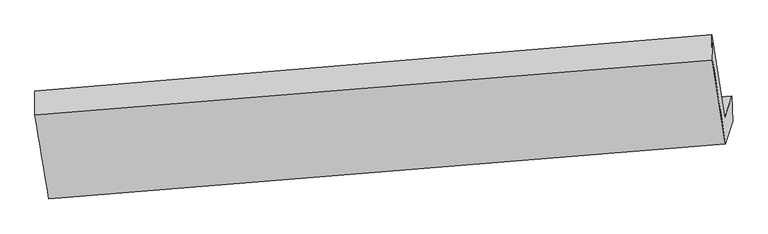
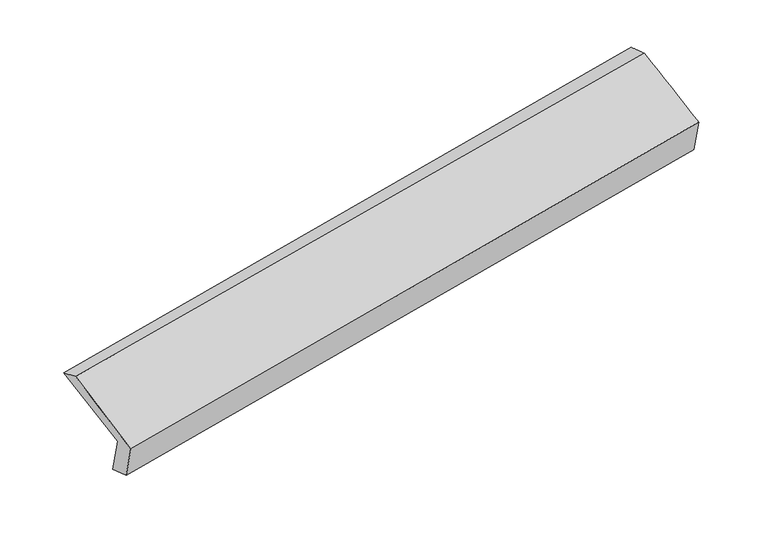
"""IFC4 building model written with IfcOpenShell, lengths in millimetres: proxy geometry."""

import ifcopenshell
import ifcopenshell.guid

model = None  # the IFC model being written
_history = None  # IfcOwnerHistory: only IFC2X3 demands one
_inside = {}  # id of a spatial element -> (the spatial element, [elements in it])
_under = {}  # id of a project, library or spatial element -> (it, [spatial elements below it])
_declared = {}  # id of a project -> (the project, [libraries it declares])
_typed = {}  # id of a type object -> (the type object, [elements of that type])
_made_of = {}  # id of a material, layer set ... -> (it, [elements and type objects made of it])


def new_model(schema):
    """Start an empty IFC model of exactly this schema.

    Asked for "IFC4X3", IfcOpenShell would pick the latest addendum, in which some entities
    have other attributes; the version numbers below select the first issue.
    IFC2X3 requires an IfcOwnerHistory on every rooted entity: one is made here for all.
    """
    global model, _history
    if schema == "IFC4X3":
        model = ifcopenshell.file(schema_version=(4, 3, 0, 0))
    else:
        model = ifcopenshell.file(schema=schema)
    _inside.clear()
    _under.clear()
    _declared.clear()
    _typed.clear()
    _made_of.clear()
    _history = None
    if model.schema == "IFC2X3":
        org = make("IfcOrganization", Name="unknown")
        user = make(
            "IfcPersonAndOrganization",
            ThePerson=make("IfcPerson", FamilyName="unknown"),
            TheOrganization=org,
        )
        app = make(
            "IfcApplication",
            ApplicationDeveloper=org,
            Version="unknown",
            ApplicationFullName="unknown",
            ApplicationIdentifier="unknown",
        )
        _history = make(
            "IfcOwnerHistory",
            OwningUser=user,
            OwningApplication=app,
            ChangeAction="ADDED",
            CreationDate=0,
        )
    return model


def make(cls, **values):
    """One entity of the class cls with the attributes given. An attribute that is None is left unset."""
    return model.create_entity(
        cls, **{name: value for name, value in values.items() if value is not None}
    )


def rooted(cls, **values):
    """An entity with a GlobalId (a new one), such as an element, a storey or a relation."""
    return make(cls, GlobalId=ifcopenshell.guid.new(), OwnerHistory=_history, **values)


def si_unit(unit_type, name, prefix=None):
    """IfcSIUnit, for example si_unit("LENGTHUNIT", "METRE", prefix="MILLI")."""
    return make("IfcSIUnit", UnitType=unit_type, Prefix=prefix, Name=name)


def assignment(units):
    """IfcUnitAssignment: the units of a project."""
    return None if units is None else make("IfcUnitAssignment", Units=units)


def point(xyz):
    """IfcCartesianPoint."""
    return None if xyz is None else make("IfcCartesianPoint", Coordinates=xyz)


def direction(xyz):
    """IfcDirection."""
    return None if xyz is None else make("IfcDirection", DirectionRatios=xyz)


def frame(location, z_axis=None, x_axis=None):
    """IfcAxis2Placement3D, a coordinate frame: its origin and axes. An axis left out is left unset."""
    return make(
        "IfcAxis2Placement3D",
        Location=point(location),
        Axis=direction(z_axis),
        RefDirection=direction(x_axis),
    )


def origin():
    """The frame at (0, 0, 0) with its axes left unset."""
    return frame((0.0, 0.0, 0.0))


def place(relative_to, where):
    """IfcLocalPlacement: puts the frame where relative to a parent placement (None: the world)."""
    return make(
        "IfcLocalPlacement", PlacementRelTo=relative_to, RelativePlacement=where
    )


def context(
    kind, dimensions, precision=None, world=None, true_north=None, identifier=None
):
    """IfcGeometricRepresentationContext, for example the 3D "Model" context."""
    return make(
        "IfcGeometricRepresentationContext",
        ContextIdentifier=identifier,
        ContextType=kind,
        CoordinateSpaceDimension=dimensions,
        Precision=precision,
        WorldCoordinateSystem=world,
        TrueNorth=true_north,
    )


def project(units=None, contexts=None):
    """IfcProject with its units and contexts."""
    return rooted(
        "IfcProject",
        Name="project",
        RepresentationContexts=contexts,
        UnitsInContext=assignment(units),
    )


def spatial(cls, under=None, at=None, **own):
    """A site, building, storey or space (cls), placed at a placement, below another one or the project."""
    s = rooted(cls, ObjectPlacement=at, **own)
    if under is not None:
        _under.setdefault(under.id(), (under, []))[1].append(s)
    return s


def shape(context_of_items, identifier, shape_type, items):
    """IfcShapeRepresentation: the items that make up one representation, for example the "Body"."""
    return make(
        "IfcShapeRepresentation",
        ContextOfItems=context_of_items,
        RepresentationIdentifier=identifier,
        RepresentationType=shape_type,
        Items=items,
    )


def source(mapping_origin, context_of_items, identifier, shape_type, items):
    """IfcRepresentationMap: a shape defined once, which mapped items show again and again."""
    return make(
        "IfcRepresentationMap",
        MappingOrigin=mapping_origin,
        MappedRepresentation=shape(context_of_items, identifier, shape_type, items),
    )


def transform(
    local_origin,
    x_axis=None,
    y_axis=None,
    z_axis=None,
    scale=None,
    scale2=None,
    scale3=None,
    uniform=True,
):
    """IfcCartesianTransformationOperator3D, or its non-uniform kind. x_axis, y_axis, z_axis: its Axis1, 2, 3."""
    if uniform:
        return make(
            "IfcCartesianTransformationOperator3D",
            Axis1=direction(x_axis),
            Axis2=direction(y_axis),
            LocalOrigin=point(local_origin),
            Scale=scale,
            Axis3=direction(z_axis),
        )
    return make(
        "IfcCartesianTransformationOperator3DnonUniform",
        Axis1=direction(x_axis),
        Axis2=direction(y_axis),
        LocalOrigin=point(local_origin),
        Scale=scale,
        Axis3=direction(z_axis),
        Scale2=scale2,
        Scale3=scale3,
    )


def mapped(mapping_source, mapping_target):
    """IfcMappedItem: shows the shape of a source again, moved by a transform."""
    return make(
        "IfcMappedItem", MappingSource=mapping_source, MappingTarget=mapping_target
    )


def made_of(thing, what):
    """Note that an element or type object is made of a material, layer set ...; save() writes the relation."""
    if what is not None:
        _made_of.setdefault(what.id(), (what, []))[1].append(thing)
    return thing


def element(
    cls,
    number,
    at=None,
    inside=None,
    cuts=None,
    type_object=None,
    material=None,
    context=None,
    identifier="Body",
    shape_type=None,
    held_by="IfcProductDefinitionShape",
    body=None,
    shapes=None,
    **own,
):
    """One element of the class cls, such as IfcWall. Its Tag is "e" and its number.

    at: its placement. inside: the storey or other place that contains it. cuts: it is an
    opening in that element (IfcRelVoidsElement). A single representation is given by context,
    identifier, shape_type and body (its items); several are given by shapes. held_by: the class
    of the entity that holds the representations. save() writes the other relations.
    """
    e = rooted(cls, Tag="e%d" % number, ObjectPlacement=at, **own)
    if body is not None:
        shapes = [shape(context, identifier, shape_type, body)]
    if shapes is not None:
        e.Representation = make(held_by, Representations=shapes)
    if inside is not None:
        _inside.setdefault(inside.id(), (inside, []))[1].append(e)
    if cuts is not None:
        rooted(
            "IfcRelVoidsElement", RelatingBuildingElement=cuts, RelatedOpeningElement=e
        )
    if type_object is not None:
        _typed.setdefault(type_object.id(), (type_object, []))[1].append(e)
    return made_of(e, material)


def aggregate(whole, parts):
    """IfcRelAggregates: a whole, such as a stair, and the parts it consists of."""
    return rooted("IfcRelAggregates", RelatingObject=whole, RelatedObjects=parts)


def save(model, path):
    """Write the relations noted so far, then the file.

    IfcRelAggregates (storeys below a building ...), IfcRelContainedInSpatialStructure (elements
    in a storey), IfcRelDefinesByType, IfcRelAssociatesMaterial and IfcRelDeclares: one each for
    every whole, place, type object, material and project.
    """
    for whole, parts in _under.values():
        aggregate(whole, parts)
    for where, things in _inside.values():
        rooted(
            "IfcRelContainedInSpatialStructure",
            RelatedElements=things,
            RelatingStructure=where,
        )
    for kind, things in _typed.values():
        rooted("IfcRelDefinesByType", RelatedObjects=things, RelatingType=kind)
    for what, things in _made_of.values():
        rooted("IfcRelAssociatesMaterial", RelatedObjects=things, RelatingMaterial=what)
    for by, libraries in _declared.values():
        rooted("IfcRelDeclares", RelatingContext=by, RelatedDefinitions=libraries)
    model.write(path)


def plane_surface(at):
    """IfcPlane: the flat surface through the origin of the frame at, square to its z axis."""
    return make("IfcPlane", Position=at)


def spline_surface(u_degree, v_degree, points, u_multiplicities, v_multiplicities, u_knots, v_knots, weights=None):
    """IfcBSplineSurfaceWithKnots; with weights, IfcRationalBSplineSurfaceWithKnots. points: one row for each step in u."""
    own = dict(
        UDegree=u_degree,
        VDegree=v_degree,
        ControlPointsList=[[point(p) for p in row] for row in points],
        SurfaceForm="UNSPECIFIED",
        UClosed=False,
        VClosed=False,
        SelfIntersect=False,
        UMultiplicities=u_multiplicities,
        VMultiplicities=v_multiplicities,
        UKnots=u_knots,
        VKnots=v_knots,
        KnotSpec="UNSPECIFIED",
    )
    if weights is None:
        return make("IfcBSplineSurfaceWithKnots", **own)
    return make("IfcRationalBSplineSurfaceWithKnots", WeightsData=weights, **own)


def advanced_brep(points, edges, surfaces, faces):
    """IfcAdvancedBrep: a solid bounded by faces that lie on surfaces and meet in shared edges.

    An edge is (start, end): straight between two places in points (the first is 0);
    or (start, end, curve); or (start, end, curve, False) where it runs against its curve.
    A face is (place in surfaces, loops), or (place, loops, False) where it looks against
    its surface's normal. A loop lists edges by number (the first is 1), with a minus sign
    where the edge is run from its end to its start. The first loop is the outer one.
    """
    corners = [point(p) for p in points]
    vertices = [make("IfcVertexPoint", VertexGeometry=c) for c in corners]
    made = []
    for start, end, *more in edges:
        made.append(
            make(
                "IfcEdgeCurve",
                EdgeStart=vertices[start],
                EdgeEnd=vertices[end],
                EdgeGeometry=more[0] if more else make("IfcPolyline", Points=[corners[start], corners[end]]),
                SameSense=more[1] if len(more) > 1 else True,
            )
        )
    hull = []
    for where, loops, *sense in faces:
        bounds = []
        for j, loop in enumerate(loops):
            ring = [make("IfcOrientedEdge", EdgeElement=made[abs(k) - 1], Orientation=k > 0) for k in loop]
            bounds.append(
                make(
                    "IfcFaceOuterBound" if j == 0 else "IfcFaceBound",
                    Bound=make("IfcEdgeLoop", EdgeList=ring),
                    Orientation=True,
                )
            )
        hull.append(make("IfcAdvancedFace", Bounds=bounds, FaceSurface=surfaces[where], SameSense=sense[0] if sense else True))
    return make("IfcAdvancedBrep", Outer=make("IfcClosedShell", CfsFaces=hull))


def generic_models_2b15f6d3(model_context):
    return source(origin(), model_context, "Body", "AdvancedBrep", [
        advanced_brep(
        [(-5322.5362491, -1881.0885875, 1493.6097558), (-5418.1889873, -1267.0853455, 1757.4511904), (-469.942322, -855.2422948, 2632.7649813), (-375.4159608, -1464.7125116, 2370.8099459), (-5269.1535559, -1715.9738714, 1128.7134295), (-323.0279762, -1302.6744673, 2012.71293), (-5265.4313711, -1901.5653493, 1187.7547554), (-318.3645734, -1490.9119287, 2067.1684704), (-5315.6357548, -2056.8494322, 1530.9258111), (-370.7525581, -1652.949973, 2425.2654863), (-5417.7948714, -1440.6750128, 1829.6849438), (-465.9869819, -1038.9144362, 2689.1827317)],
        [
            (0, 1),
            (1, 2),
            (2, 3),
            (3, 0),
            (4, 0),
            (3, 5),
            (5, 4),
            (6, 4),
            (5, 7),
            (7, 6),
            (8, 6),
            (7, 9),
            (9, 8),
            (10, 8),
            (9, 11),
            (11, 10),
            (1, 10),
            (11, 2),
        ],
        [
            spline_surface(1, 1, [[(-5322.5362491, -1881.0885875, 1493.6097558), (-375.4159608, -1464.7125116, 2370.8099459)], [(-5418.1889873, -1267.0853455, 1757.4511904), (-469.942322, -855.2422948, 2632.7649813)]], [2, 2], [2, 2], [0.0, 1.0], [0.0, 1.0]),
            plane_surface(frame((-5295.8449025, -1798.5312295, 1311.1615927), z_axis=(-0.14568983865843124, 0.9091788686396702, 0.3900874975319892), x_axis=(-0.13211679921980152, -0.4086423236334187, 0.9030817253711843))),
            spline_surface(1, 1, [[(-5265.4313711, -1901.5653493, 1187.7547554), (-318.3645734, -1490.9119287, 2067.1684704)], [(-5269.1535559, -1715.9738714, 1128.7134295), (-323.0279762, -1302.6744673, 2012.71293)]], [2, 2], [2, 2], [0.0, 1.0], [0.0, 1.0]),
            plane_surface(frame((-5290.533563, -1979.2073907, 1359.3402833), z_axis=(0.1448473330639667, -0.9092472998123757, -0.3902417172575993), x_axis=(0.13211679921975875, 0.4086423236334166, -0.9030817253711914))),
            spline_surface(1, 1, [[(-5417.7948714, -1440.6750128, 1829.6849438), (-465.9869819, -1038.9144362, 2689.1827317)], [(-5315.6357548, -2056.8494322, 1530.9258111), (-370.7525581, -1652.949973, 2425.2654863)]], [2, 2], [2, 2], [0.0, 1.0], [0.0, 1.0]),
            spline_surface(1, 1, [[(-5418.1889873, -1267.0853455, 1757.4511904), (-469.942322, -855.2422948, 2632.7649813)], [(-5417.7948714, -1440.6750128, 1829.6849438), (-465.9869819, -1038.9144362, 2689.1827317)]], [2, 2], [2, 2], [0.0, 1.0], [0.0, 1.0]),
            plane_surface(frame((-387.2483954, -1300.9009353, 2366.3174243), z_axis=(0.9811448830532681, 0.07574652609701862, 0.17781221061170832), x_axis=(0.13211679921975875, 0.4086423236334166, -0.9030817253711914))),
            plane_surface(frame((-5334.7901316, -1710.5395998, 1488.0233143), z_axis=(-0.9810555980213536, -0.07632092555046918, -0.17805906299338975), x_axis=(0.141686502373651, -0.909497975620948, -0.39081756279179514))),
        ],
        [
            (0, [[1, 2, 3, 4]]),
            (1, [[5, -4, 6, 7]]),
            (2, [[8, -7, 9, 10]]),
            (3, [[11, -10, 12, 13]]),
            (4, [[14, -13, 15, 16]]),
            (5, [[17, -16, 18, -2]]),
            (6, [[-12, -9, -6, -3, -18, -15]]),
            (7, [[-1, -5, -8, -11, -14, -17]]),
        ],
    ),
    ])


if __name__ == "__main__":
    model = new_model("IFC4")
    model_context = context("Model", 3, world=origin())
    ifc_project = project(units=[si_unit("LENGTHUNIT", "METRE", prefix="MILLI")], contexts=[model_context])
    site = spatial("IfcSite", under=ifc_project)
    building = spatial("IfcBuilding", under=site)
    placement = place(None, origin())
    generic_models_shape = generic_models_2b15f6d3(model_context)
    element("IfcBuildingElementProxy", 1, Name="Generic Models", at=placement, inside=building, context=model_context, shape_type="MappedRepresentation", body=[
        mapped(generic_models_shape, transform((0.0, 0.0, 0.0), x_axis=(1.0, 0.0, 0.0), y_axis=(0.0, 1.0, 0.0), z_axis=(0.0, 0.0, 1.0))),
    ])
    save(model, "model.ifc")
